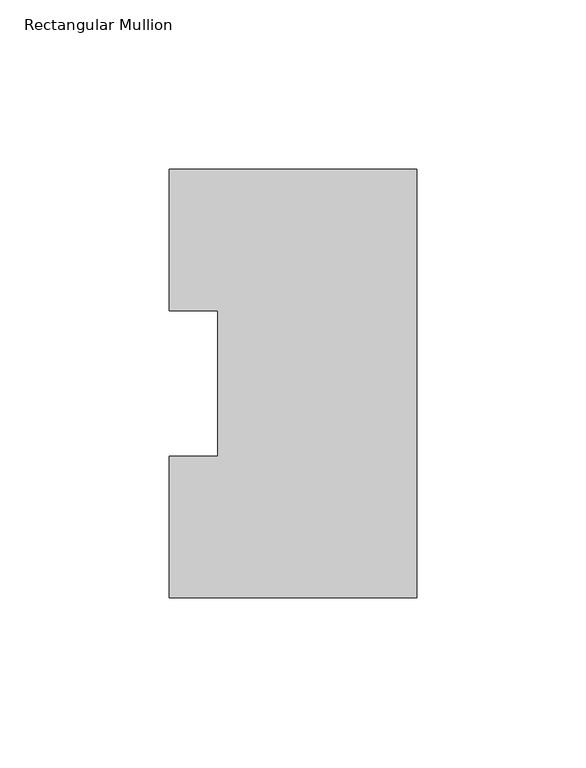
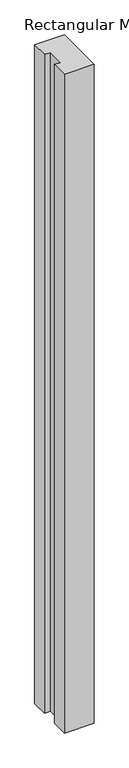
"""IFC4 building model written with IfcOpenShell, lengths in millimetres: member geometry, Rectangular Mullion."""

from ifc_helpers import new_model, si_unit, frame, origin, place, context, project, spatial, polyline, outline, extrude, source, transform, mapped, element, save


def rectangular_mullion_ffc583d1(model_context):
    return source(origin(), model_context, "Body", "SweptSolid", [
        extrude(outline(polyline([(0.0, 126.75235), (0.0, 0.26035), (-73.025, 0.26035), (-73.025, 42.0814491), (-58.7375, 42.0814491), (-58.7375, 84.93125), (-73.025, 84.93125), (-73.025, 126.75235), (0.0, 126.75235)])), frame((0.0, 0.0, -1714.5005426), z_axis=(0.0, 0.0, 1.0), x_axis=(1.0, 0.0, 0.0)), (0.0, 0.0, 1.0), 1714.5005426),
    ])


if __name__ == "__main__":
    model = new_model("IFC4")
    model_context = context("Model", 3, world=origin())
    ifc_project = project(units=[si_unit("LENGTHUNIT", "METRE", prefix="MILLI")], contexts=[model_context])
    site = spatial("IfcSite", under=ifc_project)
    building = spatial("IfcBuilding", under=site)
    placement = place(None, origin())
    rectangular_mullion_shape = rectangular_mullion_ffc583d1(model_context)
    element("IfcMember", 1, ObjectType="Rectangular Mullion", at=placement, inside=building, context=model_context, shape_type="MappedRepresentation", body=[
        mapped(rectangular_mullion_shape, transform((0.0, 0.0, 0.0), x_axis=(1.0, 0.0, 0.0), y_axis=(0.0, 1.0, 0.0), z_axis=(0.0, 0.0, 1.0))),
    ])
    save(model, "model.ifc")
